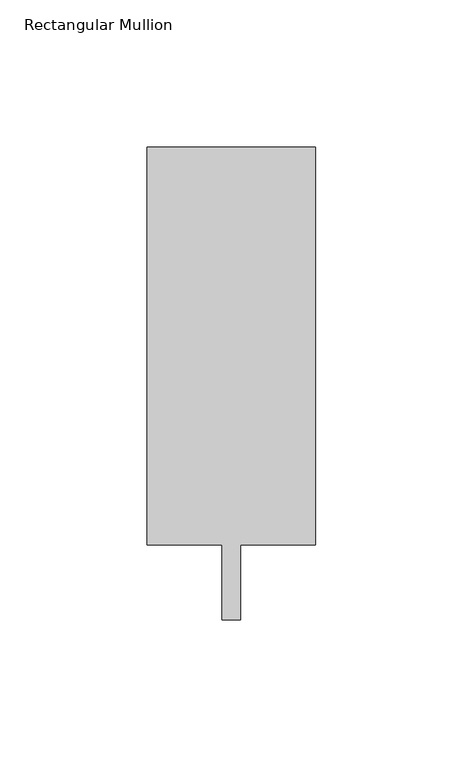
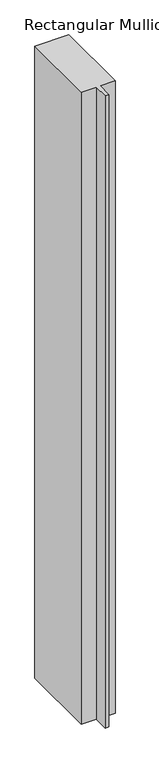
"""IFC4 building model written with IfcOpenShell, lengths in millimetres: member geometry, Rectangular Mullion."""

from ifc_helpers import new_model, si_unit, frame, origin, place, context, project, spatial, polyline, outline, extrude, source, transform, mapped, element, save


def rectangular_mullion_a186a60a(model_context):
    return source(origin(), model_context, "Body", "SweptSolid", [
        extrude(outline(polyline([(28.575, 147.6375), (28.575, 12.7), (3.175, 12.7), (3.175, -12.7), (-3.175, -12.7), (-3.175, 12.7), (-28.575, 12.7), (-28.575, 147.6375), (28.575, 147.6375)])), frame((0.0, 0.0, -1123.95), z_axis=(0.0, 0.0, 1.0), x_axis=(1.0, 0.0, 0.0)), (0.0, 0.0, 1.0), 1123.95),
    ])


if __name__ == "__main__":
    model = new_model("IFC4")
    model_context = context("Model", 3, world=origin())
    ifc_project = project(units=[si_unit("LENGTHUNIT", "METRE", prefix="MILLI")], contexts=[model_context])
    site = spatial("IfcSite", under=ifc_project)
    building = spatial("IfcBuilding", under=site)
    placement = place(None, origin())
    rectangular_mullion_shape = rectangular_mullion_a186a60a(model_context)
    element("IfcMember", 1, ObjectType="Rectangular Mullion", at=placement, inside=building, context=model_context, shape_type="MappedRepresentation", body=[
        mapped(rectangular_mullion_shape, transform((0.0, 0.0, 0.0), x_axis=(1.0, 0.0, 0.0), y_axis=(0.0, 1.0, 0.0), z_axis=(0.0, 0.0, 1.0))),
    ])
    save(model, "model.ifc")
